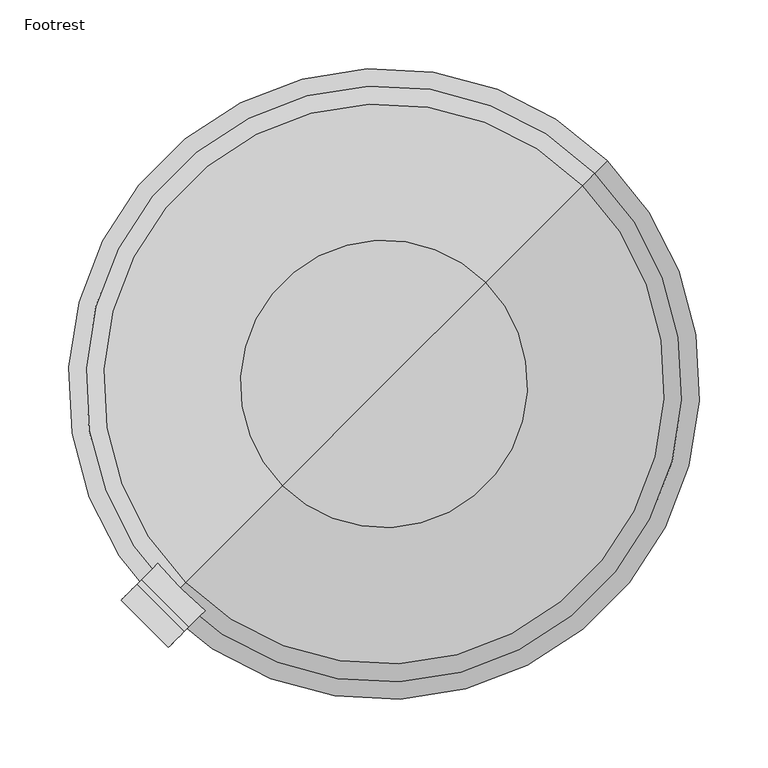
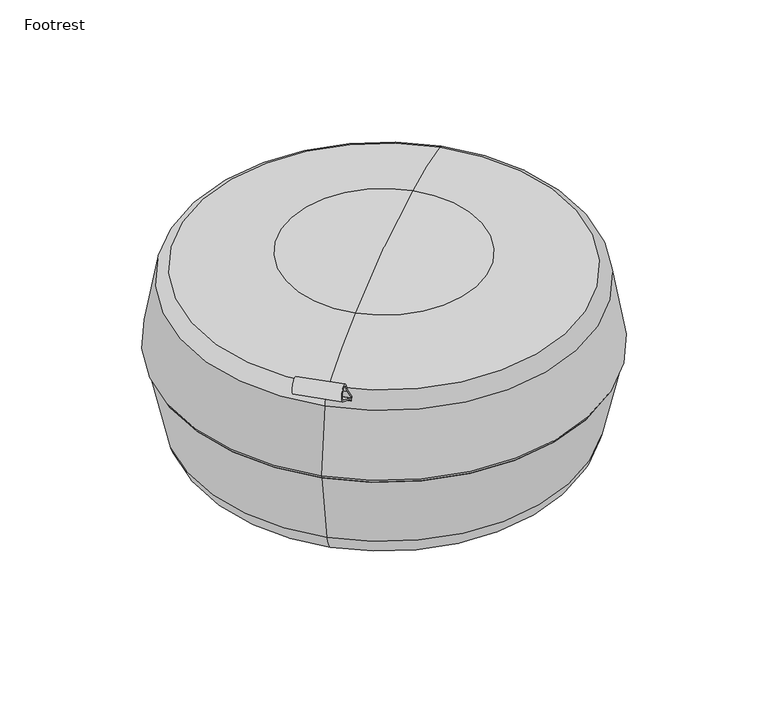
"""IFC4 building model written with IfcOpenShell, lengths in millimetres: furniture geometry, Footrest."""

from ifc_helpers import new_model, si_unit, point, frame, frame_2d, origin, place, context, project, spatial, polyline, circle_curve, ellipse_curve, trimmed, segment, composite_curve, outline, extrude, source, transform, mapped, element, save
from ifc_brep_helpers import plane_surface, revolved_surface, advanced_brep


def footrest_3d02c9c8(model_context):
    return source(origin(), model_context, "Body", "SolidModel", [
        extrude(outline(composite_curve([segment(polyline([(-41.2581393, 0.0), (0.0, 0.0), (0.0, -1.7228867), (-41.6637416, -1.7228867)]), True, "CONTINUOUS"), segment(trimmed(circle_curve(frame_2d((-41.6637415, -31.9791089)), 30.2562221), [point((-41.6637416, -1.7228867))], [point((-50.8773567, -3.1598744))], True, "CARTESIAN"), True, "CONTINUOUS"), segment(trimmed(circle_curve(frame_2d((-53.4550869, 4.9029984)), 8.4649046), [point((-50.8773567, -3.1598744))], [point((-50.5834577, 12.8659347))], False, "CARTESIAN"), True, "CONTINUOUS"), segment(trimmed(circle_curve(frame_2d((270.8729851, 904.2544335)), 947.5799177), [point((-50.5834577, 12.8659347))], [point((-22.6207098, 3.2721077))], True, "CARTESIAN"), True, "CONTINUOUS"), segment(polyline([(-22.6207098, 3.2721077), (0.5402369, 1.6525365), (0.4246803, 0.0), (-23.0477523, 1.6413524)]), True, "CONTINUOUS"), segment(trimmed(circle_curve(frame_2d((65.0243005, 310.0180828)), 320.7068667), [point((-23.0477523, 1.6413524))], [point((-51.03469, 11.0478417))], False, "CARTESIAN"), True, "CONTINUOUS"), segment(trimmed(circle_curve(frame_2d((-53.4851922, 4.7352998)), 6.7714952), [point((-51.03469, 11.0478417))], [point((-51.2907104, -1.670744))], True, "CARTESIAN"), True, "CONTINUOUS"), segment(trimmed(circle_curve(frame_2d((-41.2581393, -30.957425)), 30.957425), [point((-51.2907104, -1.670744))], [point((-41.2581393, 0.0))], False, "CARTESIAN"), True, "CONTINUOUS")], self_intersect=False)), frame((-123.4078513, -158.0879529, 210.5511622), z_axis=(-0.707106781186547, 0.707106781186548, 0.0), x_axis=(0.46390378825784134, 0.4639037882578554, -0.7547095802227735)), (0.0, 0.0, 1.0), 48.4393618),
        advanced_brep(
        [(0.0, 0.0, 138.2348903), (160.8119854, 160.8119854, 138.2348903), (-160.8119854, -160.8119854, 138.2348903), (-87.4545809, -87.4545809, 12.9992345), (87.4545809, 87.4545809, 12.9992345), (0.0, 0.0, 0.0), (-134.799359, -134.799359, 33.3773233), (134.799359, 134.799359, 33.3773233), (-147.5078152, -147.5078152, 56.7384407), (147.5078152, 147.5078152, 56.7384407)],
        [
            (0, 1),
            (1, 2, circle_curve(frame((0.0, 0.0, 138.2348903), z_axis=(0.0, 0.0, 1.0), x_axis=(0.7071067811865481, 0.707106781186547, 0.0)), 227.4224908)),
            (2, 0),
            (2, 1, circle_curve(frame((0.0, 0.0, 138.2348903), z_axis=(0.0, 0.0, 1.0), x_axis=(0.7071067811865481, 0.707106781186547, 0.0)), 227.4224908)),
            (3, 4, circle_curve(frame((0.0, 0.0, 12.9992345), z_axis=(0.0, 0.0, -1.0), x_axis=(0.7071067811865481, 0.707106781186547, 0.0)), 123.6794545)),
            (4, 5),
            (5, 3),
            (4, 3, circle_curve(frame((0.0, 0.0, 12.9992345), z_axis=(0.0, 0.0, -1.0), x_axis=(0.7071067811865481, 0.707106781186547, 0.0)), 123.6794545)),
            (6, 7, circle_curve(frame((0.0, 0.0, 33.3773233), z_axis=(0.0, 0.0, -1.0), x_axis=(0.7071067811865481, 0.707106781186547, 0.0)), 190.6350817)),
            (7, 4, circle_curve(frame((73.81058, 73.81058, 196.583951), z_axis=(-0.707106781186547, 0.7071067811865481, 0.0), x_axis=(-0.7071067811865481, -0.707106781186547, 0.0)), 184.5959524)),
            (3, 6, circle_curve(frame((-73.81058, -73.81058, 196.583951), z_axis=(-0.7071067811865447, 0.7071067811865505, 0.0), x_axis=(0.7071067811865505, 0.7071067811865447, 0.0)), 184.5959524)),
            (7, 6, circle_curve(frame((0.0, 0.0, 33.3773233), z_axis=(0.0, 0.0, -1.0), x_axis=(0.7071067811865481, 0.707106781186547, 0.0)), 190.6350817)),
            (8, 9, circle_curve(frame((0.0, 0.0, 56.7384407), z_axis=(0.0, 0.0, -1.0), x_axis=(0.7071067811865481, 0.707106781186547, 0.0)), 208.6075529)),
            (9, 7, circle_curve(frame((123.0903879, 123.0903879, 64.7106557), z_axis=(-0.707106781186547, 0.7071067811865481, 0.0), x_axis=(-0.7071067811865481, -0.707106781186547, 0.0)), 35.4397761)),
            (6, 8, circle_curve(frame((-123.0903879, -123.0903879, 64.7106557), z_axis=(-0.7071067811865447, 0.7071067811865505, 0.0), x_axis=(0.7071067811865505, 0.7071067811865447, 0.0)), 35.4397761)),
            (9, 8, circle_curve(frame((0.0, 0.0, 56.7384407), z_axis=(0.0, 0.0, -1.0), x_axis=(0.7071067811865481, 0.707106781186547, 0.0)), 208.6075529)),
            (1, 9),
            (8, 2),
        ],
        [
            plane_surface(frame((0.0, 0.0, 138.2348903), z_axis=(0.0, 0.0, 1.0000000000000002), x_axis=(0.7071067811865481, 0.707106781186547, 0.0))),
            revolved_surface(polyline([(0.0, 0.0, 0.0), (87.4545809, 87.4545809, 12.9992345)]), (0.0, 0.0, -30.0401097), (0.0, 0.0, 1.0)),
            revolved_surface(trimmed(ellipse_curve(frame((73.81058, 73.81058, 196.583951), z_axis=(0.707106781186547, -0.7071067811865481, 0.0), x_axis=(-0.7071067811865481, -0.707106781186547, 0.0)), 184.5959524, 184.5959524), [point((87.4545809, 87.4545809, 12.9992345))], [point((134.799359, 134.799359, 33.3773233))], True, "CARTESIAN"), (0.0, 0.0, -30.0401097), (0.0, 0.0, 1.0)),
            revolved_surface(trimmed(ellipse_curve(frame((123.0903879, 123.0903879, 64.7106557), z_axis=(0.707106781186547, -0.7071067811865481, 0.0), x_axis=(-0.7071067811865481, -0.707106781186547, 0.0)), 35.4397761, 35.4397761), [point((134.799359, 134.799359, 33.3773233))], [point((147.5078152, 147.5078152, 56.7384407))], True, "CARTESIAN"), (0.0, 0.0, -30.0401097), (0.0, 0.0, 1.0)),
            revolved_surface(polyline([(147.5078152, 147.5078152, 56.7384407), (160.8119854, 160.8119854, 138.2348903)]), (0.0, 0.0, -30.0401097), (0.0, 0.0, 1.0)),
        ],
        [
            (0, [[1, 2, 3]]),
            (0, [[-3, 4, -1]]),
            (1, [[5, 6, 7]]),
            (1, [[8, -7, -6]]),
            (2, [[9, 10, -5, 11]]),
            (2, [[12, -11, -8, -10]]),
            (3, [[13, 14, -9, 15]]),
            (3, [[16, -15, -12, -14]]),
            (4, [[-2, 17, -13, 18]]),
            (4, [[-4, -18, -16, -17]]),
        ],
    ),
        advanced_brep(
        [(-160.8119854, -160.8119854, 138.2348903), (160.8119854, 160.8119854, 138.2348903), (0.0, 0.0, 138.2348903), (-162.3474561, -162.3474561, 141.9960101), (162.3474561, 162.3474561, 141.9960101), (-153.3643028, -153.3643028, 214.0445262), (153.3643028, 153.3643028, 214.0445262), (-73.9343548, -73.9343548, 245.3815987), (73.9343548, 73.9343548, 245.3815987), (144.1817407, 144.1817407, 228.4242147), (-144.1817407, -144.1817407, 228.4242147), (0.0, 0.0, 251.8549411)],
        [
            (0, 1, circle_curve(frame((0.0, 0.0, 138.2348903), z_axis=(0.0, 0.0, -1.0), x_axis=(0.7071067811865481, 0.707106781186547, 0.0)), 227.4224908)),
            (1, 2),
            (2, 0),
            (1, 0, circle_curve(frame((0.0, 0.0, 138.2348903), z_axis=(0.0, 0.0, -1.0), x_axis=(0.7071067811865481, 0.707106781186547, 0.0)), 227.4224908)),
            (3, 4, circle_curve(frame((0.0, 0.0, 141.9960101), z_axis=(0.0, 0.0, -1.0), x_axis=(0.7071067811865481, 0.707106781186547, 0.0)), 229.5939743)),
            (4, 1),
            (0, 3),
            (4, 3, circle_curve(frame((0.0, 0.0, 141.9960101), z_axis=(0.0, 0.0, -1.0), x_axis=(0.7071067811865481, 0.707106781186547, 0.0)), 229.5939743)),
            (5, 6, circle_curve(frame((0.0, 0.0, 214.0445262), z_axis=(0.0, 0.0, -1.0), x_axis=(0.7071067811865481, 0.707106781186547, 0.0)), 216.889877)),
            (6, 4),
            (3, 5),
            (6, 5, circle_curve(frame((0.0, 0.0, 214.0445262), z_axis=(0.0, 0.0, -1.0), x_axis=(0.7071067811865481, 0.707106781186547, 0.0)), 216.889877)),
            (7, 8, circle_curve(frame((0.0, 0.0, 245.3815987), z_axis=(0.0, 0.0, -1.0), x_axis=(0.7071067811865481, 0.707106781186547, 0.0)), 104.5589673)),
            (8, 9, circle_curve(frame((53.3619061, 53.3619061, -224.5489716), z_axis=(-0.707106781186547, 0.7071067811865481, 0.0), x_axis=(-0.7071067811865481, -0.707106781186547, 0.0)), 470.8303221)),
            (9, 10, circle_curve(frame((0.0, 0.0, 228.4242147), z_axis=(0.0, 0.0, 1.0), x_axis=(0.7071067811865481, 0.707106781186547, 0.0)), 203.9037731)),
            (10, 7, circle_curve(frame((-53.3619061, -53.3619061, -224.5489716), z_axis=(-0.7071067811865447, 0.7071067811865505, 0.0), x_axis=(0.7071067811865505, 0.7071067811865447, 0.0)), 470.8303221)),
            (8, 7, circle_curve(frame((0.0, 0.0, 245.3815987), z_axis=(0.0, 0.0, -1.0), x_axis=(0.7071067811865481, 0.707106781186547, 0.0)), 104.5589673)),
            (10, 9, circle_curve(frame((0.0, 0.0, 228.4242147), z_axis=(0.0, 0.0, 1.0), x_axis=(0.7071067811865481, 0.707106781186547, 0.0)), 203.9037731)),
            (11, 8),
            (7, 11),
            (9, 6, circle_curve(frame((140.6636631, 140.6636631, 210.8774438), z_axis=(-0.707106781186547, 0.7071067811865481, 0.0), x_axis=(-0.7071067811865481, -0.707106781186547, 0.0)), 18.2385007)),
            (5, 10, circle_curve(frame((-140.6636631, -140.6636631, 210.8774438), z_axis=(-0.7071067811865447, 0.7071067811865505, 0.0), x_axis=(0.7071067811865505, 0.7071067811865447, 0.0)), 18.2385007)),
        ],
        [
            plane_surface(frame((0.0, 0.0, 138.2348903), z_axis=(0.0, 0.0, -1.0000000000000002), x_axis=(0.7071067811865481, 0.707106781186547, 0.0))),
            revolved_surface(polyline([(160.8119854, 160.8119854, 138.2348903), (162.3474561, 162.3474561, 141.9960101)]), (0.0, 0.0, 309.6848903), (0.0, 0.0, 1.0)),
            revolved_surface(polyline([(162.3474561, 162.3474561, 141.9960101), (153.3643028, 153.3643028, 214.0445262)]), (0.0, 0.0, 309.6848903), (0.0, 0.0, 1.0)),
            revolved_surface(trimmed(ellipse_curve(frame((53.3619061, 53.3619061, -224.5489716), z_axis=(0.707106781186547, -0.7071067811865481, 0.0), x_axis=(-0.7071067811865481, -0.707106781186547, 0.0)), 470.8303221, 470.8303221), [point((144.1817407, 144.1817407, 228.4242147))], [point((73.9343548, 73.9343548, 245.3815987))], True, "CARTESIAN"), (0.0, 0.0, 309.6848903), (0.0, 0.0, 1.0)),
            revolved_surface(polyline([(73.9343548, 73.9343548, 245.3815987), (0.0, 0.0, 251.8549411)]), (0.0, 0.0, 309.6848903), (0.0, 0.0, 1.0)),
            revolved_surface(trimmed(ellipse_curve(frame((140.6636631, 140.6636631, 210.8774438), z_axis=(0.707106781186547, -0.7071067811865481, 0.0), x_axis=(-0.7071067811865481, -0.707106781186547, 0.0)), 18.2385007, 18.2385007), [point((153.3643028, 153.3643028, 214.0445262))], [point((144.1817407, 144.1817407, 228.4242147))], True, "CARTESIAN"), (0.0, 0.0, 309.6848903), (0.0, 0.0, 1.0)),
        ],
        [
            (0, [[1, 2, 3]]),
            (0, [[4, -3, -2]]),
            (1, [[5, 6, -1, 7]]),
            (1, [[8, -7, -4, -6]]),
            (2, [[9, 10, -5, 11]]),
            (2, [[12, -11, -8, -10]]),
            (3, [[13, 14, 15, 16]]),
            (3, [[17, -16, 18, -14]]),
            (4, [[19, -13, 20]]),
            (4, [[-20, -17, -19]]),
            (5, [[-15, 21, -9, 22]]),
            (5, [[-18, -22, -12, -21]]),
        ],
    ),
    ])


if __name__ == "__main__":
    model = new_model("IFC4")
    model_context = context("Model", 3, world=origin())
    ifc_project = project(units=[si_unit("LENGTHUNIT", "METRE", prefix="MILLI")], contexts=[model_context])
    site = spatial("IfcSite", under=ifc_project)
    building = spatial("IfcBuilding", under=site)
    placement = place(None, origin())
    footrest_shape = footrest_3d02c9c8(model_context)
    element("IfcFurniture", 1, ObjectType="Footrest", at=placement, inside=building, context=model_context, shape_type="MappedRepresentation", body=[
        mapped(footrest_shape, transform((0.0, 0.0, 0.0), x_axis=(1.0, 0.0, 0.0), y_axis=(0.0, 1.0, 0.0), z_axis=(0.0, 0.0, 1.0))),
    ])
    save(model, "model.ifc")
